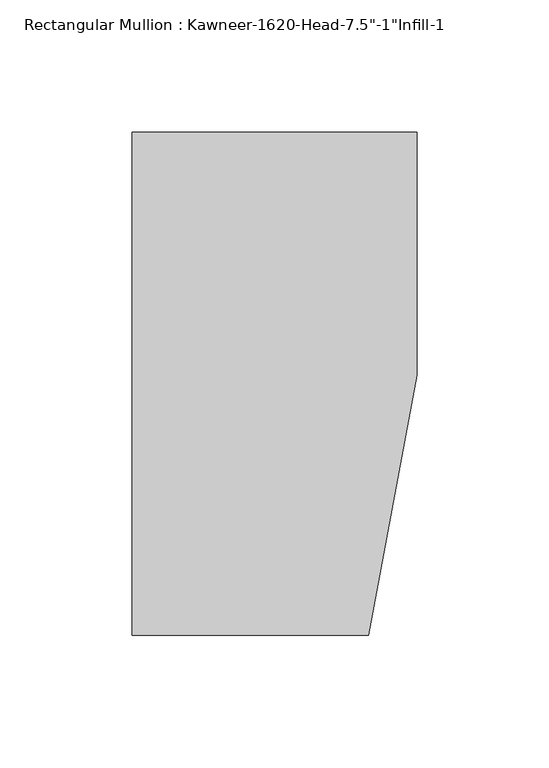
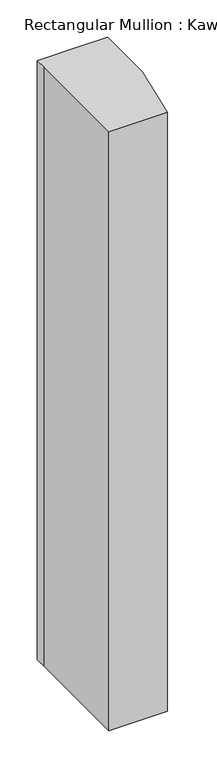
"""IFC4 building model written with IfcOpenShell, lengths in millimetres: member geometry."""

from ifc_helpers import new_model, si_unit, frame, origin, place, context, project, spatial, polyline, outline, extrude, source, transform, mapped, element, save


def member_50329f59(model_context):
    return source(origin(), model_context, "Body", "SweptSolid", [
        extrude(outline(polyline([(-107.95, 19.9095466), (-107.95, 38.1), (-44.1519366, 38.1), (0.0, 38.1), (0.0, -53.975), (-18.3538271, -152.4), (-107.95, -152.4), (-107.95, 19.9095466)])), frame((0.0, 0.0, -974.725), z_axis=(0.0, 0.0, 1.0), x_axis=(1.0, 0.0, 0.0)), (0.0, 0.0, 1.0), 974.725),
    ])


if __name__ == "__main__":
    model = new_model("IFC4")
    model_context = context("Model", 3, world=origin())
    ifc_project = project(units=[si_unit("LENGTHUNIT", "METRE", prefix="MILLI")], contexts=[model_context])
    site = spatial("IfcSite", under=ifc_project)
    building = spatial("IfcBuilding", under=site)
    placement = place(None, origin())
    member_shape = member_50329f59(model_context)
    element("IfcMember", 1, ObjectType="Rectangular Mullion : Kawneer-1620-Head-7.5\"-1\"Infill-1", at=placement, inside=building, context=model_context, shape_type="MappedRepresentation", body=[
        mapped(member_shape, transform((0.0, 0.0, 0.0), x_axis=(1.0, 0.0, 0.0), y_axis=(0.0, 1.0, 0.0), z_axis=(0.0, 0.0, 1.0))),
    ])
    save(model, "model.ifc")
